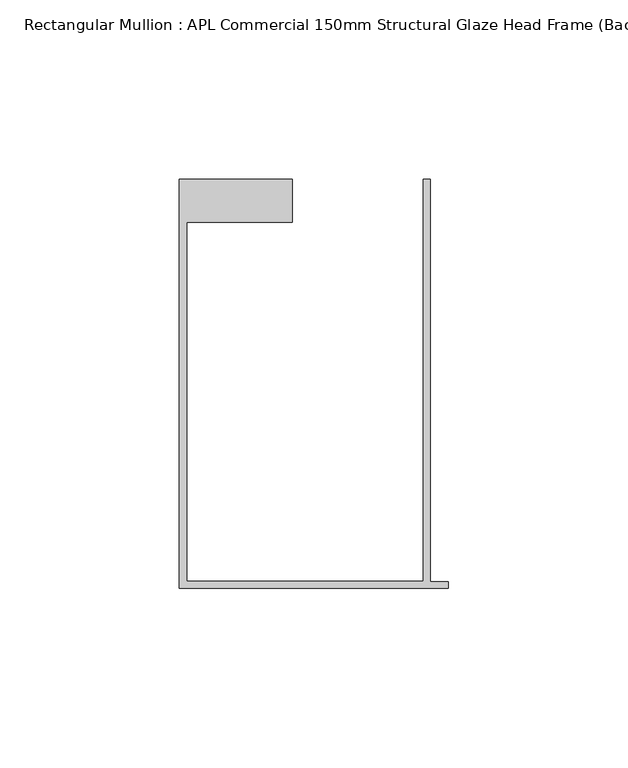
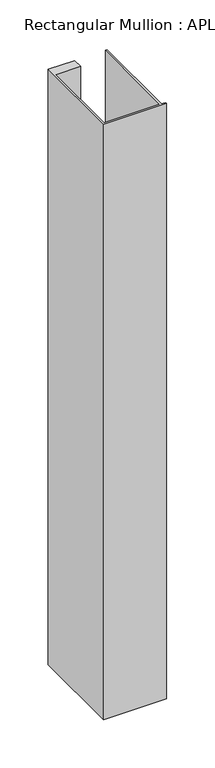
"""IFC4 building model written with IfcOpenShell, lengths in millimetres: member geometry, Rectangular Mullion : APL Commercial 150mm Structural Glaze Head Frame (Back)."""

from ifc_helpers import new_model, si_unit, frame, origin, place, context, project, spatial, polyline, outline, extrude, source, transform, mapped, element, save


def rectangular_mullion_apl_commercial_150mm_structural_glaze_e6ce25bd(model_context):
    return source(origin(), model_context, "Body", "SweptSolid", [
        extrude(outline(polyline([(-75.0, -128.9993063), (-75.0, -14.9998342), (-43.5000151, -14.9998342), (-43.5000151, -26.9997514), (-73.0, -26.9997514), (-73.0, -126.9993063), (-7.0, -126.9993063), (-7.0, -14.9998342), (-5.0, -14.9998342), (-5.0, -127.1993063), (0.0, -127.1993063), (0.0, -128.9993063), (-75.0, -128.9993063)])), frame((0.0, 0.0, -749.4593594), z_axis=(0.0, 0.0, 1.0), x_axis=(1.0, 0.0, 0.0)), (0.0, 0.0, 1.0), 749.4593594),
    ])


if __name__ == "__main__":
    model = new_model("IFC4")
    model_context = context("Model", 3, world=origin())
    ifc_project = project(units=[si_unit("LENGTHUNIT", "METRE", prefix="MILLI")], contexts=[model_context])
    site = spatial("IfcSite", under=ifc_project)
    building = spatial("IfcBuilding", under=site)
    placement = place(None, origin())
    rectangular_mullion_apl_commercial_150mm_structural_glaze_shape = rectangular_mullion_apl_commercial_150mm_structural_glaze_e6ce25bd(model_context)
    element("IfcMember", 1, ObjectType="Rectangular Mullion : APL Commercial 150mm Structural Glaze Head Frame (Back)", at=placement, inside=building, context=model_context, shape_type="MappedRepresentation", body=[
        mapped(rectangular_mullion_apl_commercial_150mm_structural_glaze_shape, transform((0.0, 0.0, 0.0), x_axis=(1.0, 0.0, 0.0), y_axis=(0.0, 1.0, 0.0), z_axis=(0.0, 0.0, 1.0))),
    ])
    save(model, "model.ifc")
